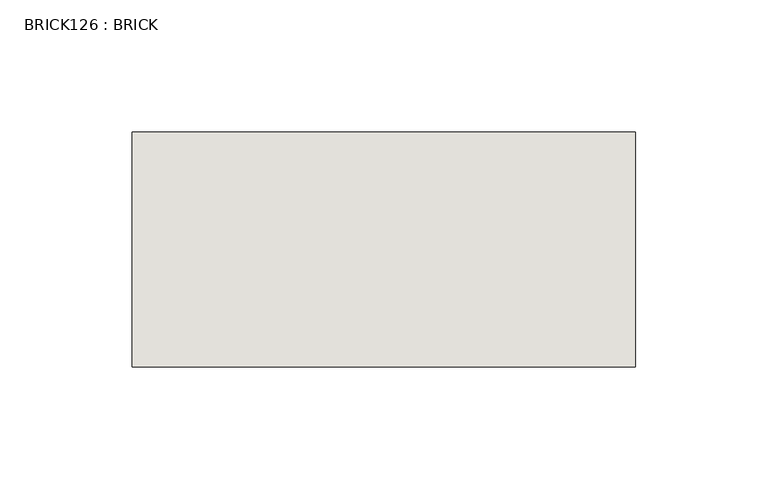
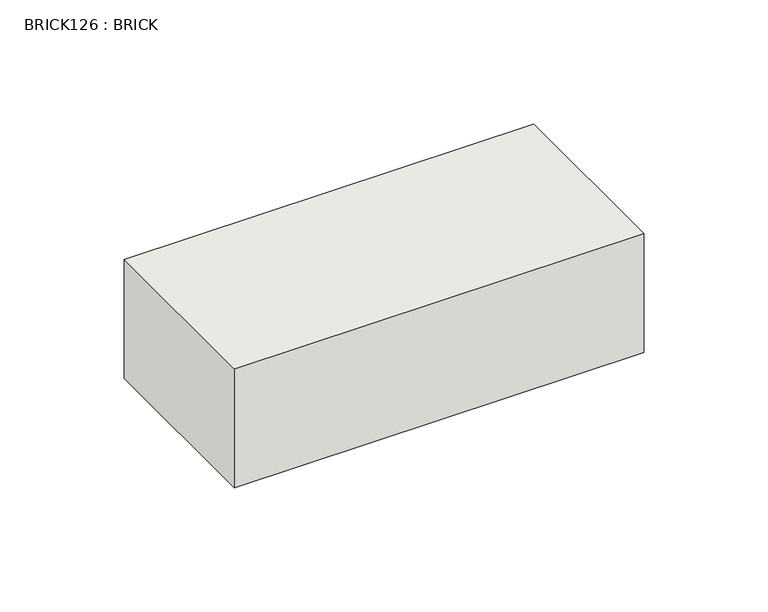
"""IFC4 building model written with IfcOpenShell, lengths in millimetres: wall geometry, BRICK126 : BRICK."""

from ifc_helpers import new_model, si_unit, frame, origin, place, context, project, spatial, polyline, outline, extrude, source, transform, mapped, element, save


def brick126_brick_7b5abe44(model_context):
    return source(origin(), model_context, "Body", "SweptSolid", [
        extrude(outline(polyline([(528.9272594, 2586.2274125), (719.4272594, 2586.2274125), (719.4272594, 2497.3274125), (528.9272594, 2497.3274125), (528.9272594, 2586.2274125)])), frame((0.0, 0.0, 283.5671875), z_axis=(0.0, 0.0, 1.0), x_axis=(1.0, 0.0, 0.0)), (0.0, 0.0, 1.0), 58.4398437),
    ])


if __name__ == "__main__":
    model = new_model("IFC4")
    model_context = context("Model", 3, world=origin())
    ifc_project = project(units=[si_unit("LENGTHUNIT", "METRE", prefix="MILLI")], contexts=[model_context])
    site = spatial("IfcSite", under=ifc_project)
    building = spatial("IfcBuilding", under=site)
    placement = place(None, origin())
    brick126_brick_shape = brick126_brick_7b5abe44(model_context)
    element("IfcWall", 1, ObjectType="BRICK126 : BRICK", at=placement, inside=building, context=model_context, shape_type="MappedRepresentation", body=[
        mapped(brick126_brick_shape, transform((0.0, 0.0, 0.0), x_axis=(1.0, 0.0, 0.0), y_axis=(0.0, 1.0, 0.0), z_axis=(0.0, 0.0, 1.0))),
    ])
    save(model, "model.ifc")
